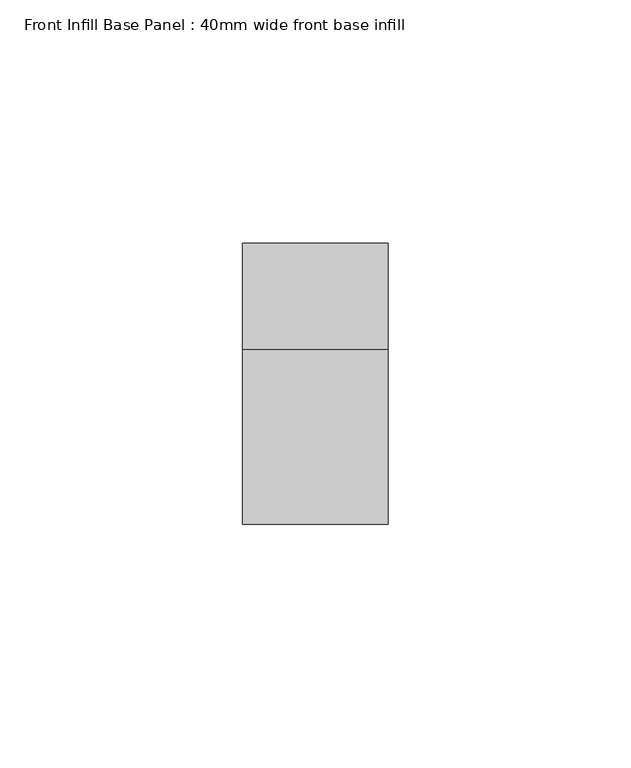
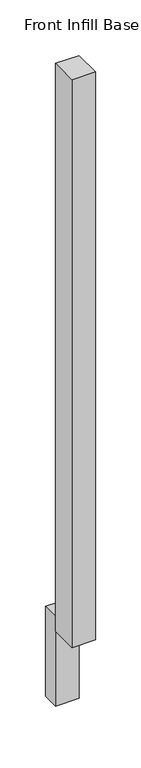
"""IFC4 building model written with IfcOpenShell, lengths in millimetres: furniture geometry, Front Infill Base Panel : 40mm wide front base infill."""

from ifc_helpers import new_model, si_unit, frame, origin, origin_with_axes, place, context, project, spatial, polyline, outline, extrude, source, transform, mapped, element, save


def front_infill_base_panel_40mm_wide_front_base_infill_941b3369(model_context):
    return source(origin(), model_context, "Body", "SweptSolid", [
        extrude(outline(polyline([(-125.2996736, -547.0), (-125.2996736, -583.0), (-155.2996736, -583.0), (-155.2996736, -547.0), (-125.2996736, -547.0)])), frame((0.0, 0.0, 100.0), z_axis=(0.0, 0.0, 1.0), x_axis=(1.0, 0.0, 0.0)), (0.0, 0.0, 1.0), 760.0),
        extrude(outline(polyline([(-125.2996736, -525.0), (-125.2996736, -547.0), (-155.2996736, -547.0), (-155.2996736, -525.0), (-125.2996736, -525.0)])), origin_with_axes(), (0.0, 0.0, 1.0), 120.0),
    ])


if __name__ == "__main__":
    model = new_model("IFC4")
    model_context = context("Model", 3, world=origin())
    ifc_project = project(units=[si_unit("LENGTHUNIT", "METRE", prefix="MILLI")], contexts=[model_context])
    site = spatial("IfcSite", under=ifc_project)
    building = spatial("IfcBuilding", under=site)
    placement = place(None, origin())
    front_infill_base_panel_40mm_wide_front_base_infill_shape = front_infill_base_panel_40mm_wide_front_base_infill_941b3369(model_context)
    element("IfcFurniture", 1, ObjectType="Front Infill Base Panel : 40mm wide front base infill", at=placement, inside=building, context=model_context, shape_type="MappedRepresentation", body=[
        mapped(front_infill_base_panel_40mm_wide_front_base_infill_shape, transform((0.0, 0.0, 0.0), x_axis=(1.0, 0.0, 0.0), y_axis=(0.0, 1.0, 0.0), z_axis=(0.0, 0.0, 1.0))),
    ])
    save(model, "model.ifc")
